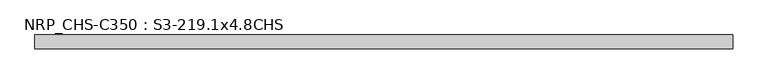
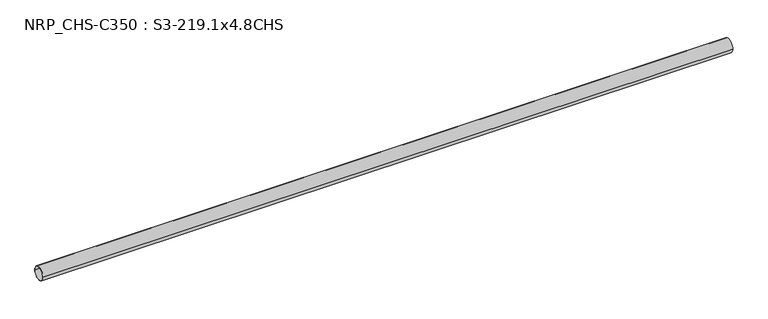
"""IFC4 building model written with IfcOpenShell, lengths in millimetres: beam geometry, NRP_CHS-C350 : S3-219.1x4.8CHS."""

from ifc_helpers import new_model, si_unit, point, frame, origin, origin_2d, place, context, project, spatial, circle_curve, trimmed, segment, composite_curve, outline, extrude, source, transform, mapped, element, save


def nrp_chs_c350_s3_219_1x4_8chs_8c702842(model_context):
    return source(origin(), model_context, "Body", "SweptSolid", [
        extrude(outline(composite_curve([segment(trimmed(circle_curve(origin_2d(), 109.55), [point((109.55, 0.0))], [point((-109.55, 0.0))], False, "CARTESIAN"), True, "CONTINUOUS"), segment(trimmed(circle_curve(origin_2d(), 109.55), [point((-109.55, 0.0))], [point((109.55, 0.0))], False, "CARTESIAN"), True, "CONTINUOUS")], self_intersect=False), holes=[composite_curve([segment(trimmed(circle_curve(origin_2d(), 104.75), [point((-104.75, 0.0))], [point((104.75, 0.0))], True, "CARTESIAN"), True, "CONTINUOUS"), segment(trimmed(circle_curve(origin_2d(), 104.75), [point((104.75, 0.0))], [point((-104.75, 0.0))], True, "CARTESIAN"), True, "CONTINUOUS")], self_intersect=False)]), frame((-5532.8, 0.0, 0.0), z_axis=(1.0, 0.0, 0.0), x_axis=(0.0, 1.0, 0.0)), (0.0, 0.0, 1.0), 11045.1),
    ])


if __name__ == "__main__":
    model = new_model("IFC4")
    model_context = context("Model", 3, world=origin())
    ifc_project = project(units=[si_unit("LENGTHUNIT", "METRE", prefix="MILLI")], contexts=[model_context])
    site = spatial("IfcSite", under=ifc_project)
    building = spatial("IfcBuilding", under=site)
    placement = place(None, origin())
    nrp_chs_c350_s3_219_1x4_8chs_shape = nrp_chs_c350_s3_219_1x4_8chs_8c702842(model_context)
    element("IfcBeam", 1, ObjectType="NRP_CHS-C350 : S3-219.1x4.8CHS", at=placement, inside=building, context=model_context, shape_type="MappedRepresentation", body=[
        mapped(nrp_chs_c350_s3_219_1x4_8chs_shape, transform((0.0, 0.0, 0.0), x_axis=(1.0, 0.0, 0.0), y_axis=(0.0, 1.0, 0.0), z_axis=(0.0, 0.0, 1.0))),
    ])
    save(model, "model.ifc")
